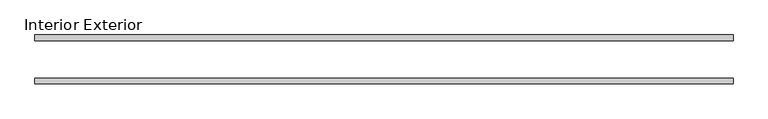
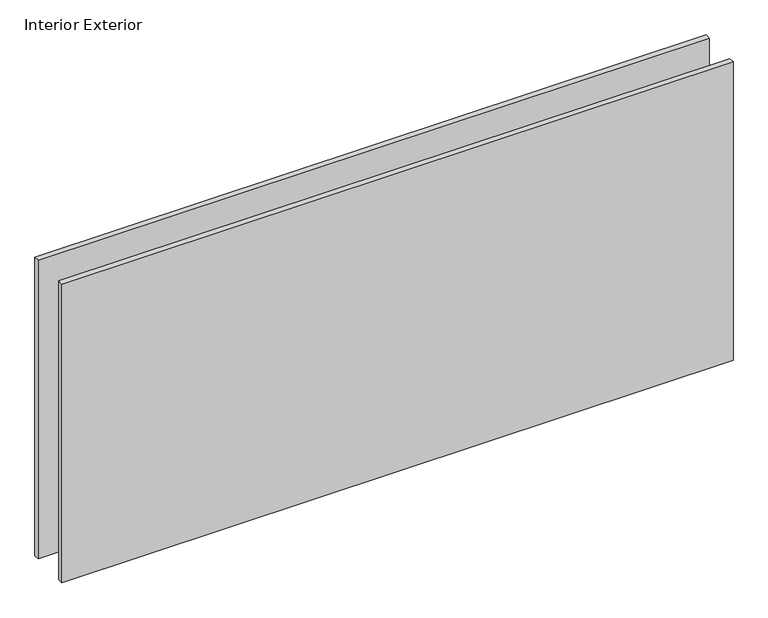
"""IFC4 building model written with IfcOpenShell, lengths in millimetres: plate geometry, Interior Exterior."""

from ifc_helpers import new_model, si_unit, origin, origin_with_axes, place, context, project, spatial, polyline, outline, extrude, source, transform, mapped, element, save


def interior_exterior_c6efdef7(model_context):
    return source(origin(), model_context, "Body", "SweptSolid", [
        extrude(outline(polyline([(590.55, -41.275), (-590.55, -41.275), (-590.55, -31.75), (590.55, -31.75), (590.55, -41.275)])), origin_with_axes(), (0.0, 0.0, 1.0), 555.625),
        extrude(outline(polyline([(590.55, 41.275), (590.55, 31.75), (-590.55, 31.75), (-590.55, 41.275), (590.55, 41.275)])), origin_with_axes(), (0.0, 0.0, 1.0), 555.625),
    ])


if __name__ == "__main__":
    model = new_model("IFC4")
    model_context = context("Model", 3, world=origin())
    ifc_project = project(units=[si_unit("LENGTHUNIT", "METRE", prefix="MILLI")], contexts=[model_context])
    site = spatial("IfcSite", under=ifc_project)
    building = spatial("IfcBuilding", under=site)
    placement = place(None, origin())
    interior_exterior_shape = interior_exterior_c6efdef7(model_context)
    element("IfcPlate", 1, ObjectType="Interior Exterior", at=placement, inside=building, context=model_context, shape_type="MappedRepresentation", body=[
        mapped(interior_exterior_shape, transform((0.0, 0.0, 0.0), x_axis=(1.0, 0.0, 0.0), y_axis=(0.0, 1.0, 0.0), z_axis=(0.0, 0.0, 1.0))),
    ])
    save(model, "model.ifc")
